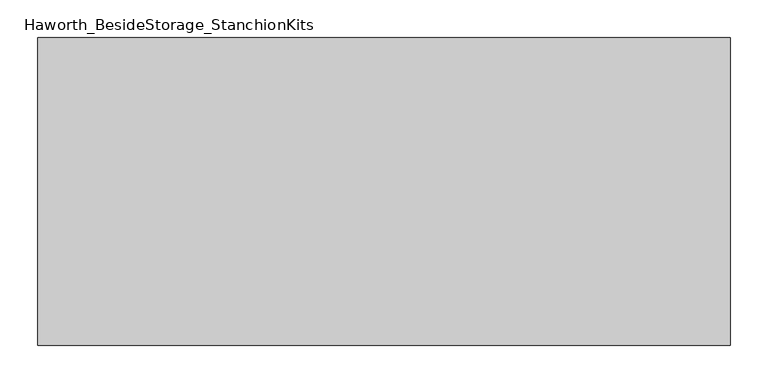
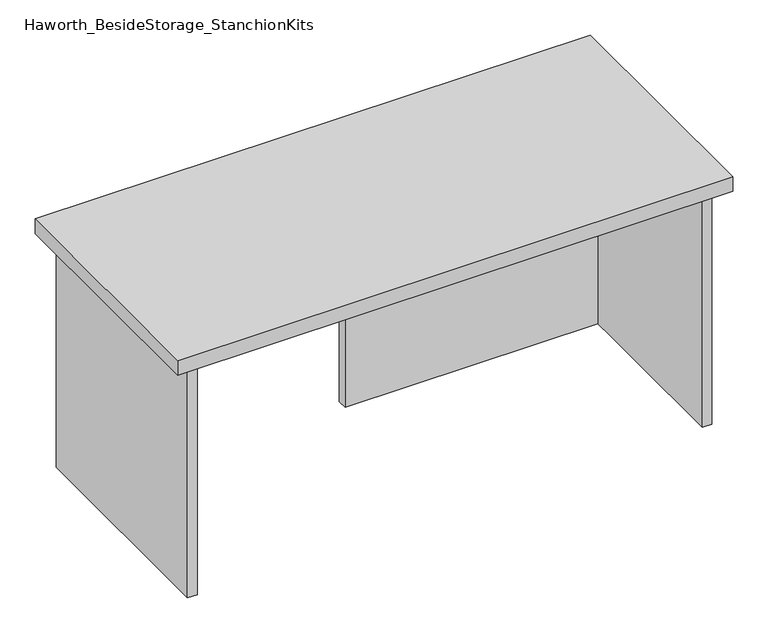
"""IFC4 building model written with IfcOpenShell, lengths in millimetres: furniture geometry, Haworth_BesideStorage_StanchionKits."""

from ifc_helpers import new_model, si_unit, frame, origin, place, context, project, spatial, polyline, outline, extrude, source, transform, mapped, element, save


def haworth_besidestorage_stanchionkits_f4ed1ca3(model_context):
    return source(origin(), model_context, "Body", "SweptSolid", [
        extrude(outline(polyline([(619.125, 0.0), (619.125, -406.4), (-295.275, -406.4), (-295.275, 0.0), (619.125, 0.0)])), frame((0.0, 0.0, 838.2), z_axis=(0.0, 0.0, 1.0), x_axis=(1.0, 0.0, 0.0)), (0.0, 0.0, 1.0), 25.4),
        extrude(outline(polyline([(161.925, -76.2), (577.85, -76.2), (577.85, -92.075), (161.925, -92.075), (161.925, -76.2)])), frame((0.0, 0.0, 431.8), z_axis=(0.0, 0.0, 1.0), x_axis=(1.0, 0.0, 0.0)), (0.0, 0.0, 1.0), 406.4),
        extrude(outline(polyline([(593.725, -390.525), (577.85, -390.525), (577.85, -15.875), (593.725, -15.875), (593.725, -390.525)])), frame((0.0, 0.0, 431.8), z_axis=(0.0, 0.0, 1.0), x_axis=(1.0, 0.0, 0.0)), (0.0, 0.0, 1.0), 406.4),
        extrude(outline(polyline([(-254.0, -390.525), (-269.875, -390.525), (-269.875, -15.875), (-254.0, -15.875), (-254.0, -390.525)])), frame((0.0, 0.0, 431.8), z_axis=(0.0, 0.0, 1.0), x_axis=(1.0, 0.0, 0.0)), (0.0, 0.0, 1.0), 406.4),
    ])


if __name__ == "__main__":
    model = new_model("IFC4")
    model_context = context("Model", 3, world=origin())
    ifc_project = project(units=[si_unit("LENGTHUNIT", "METRE", prefix="MILLI")], contexts=[model_context])
    site = spatial("IfcSite", under=ifc_project)
    building = spatial("IfcBuilding", under=site)
    placement = place(None, origin())
    haworth_besidestorage_stanchionkits_shape = haworth_besidestorage_stanchionkits_f4ed1ca3(model_context)
    element("IfcFurniture", 1, ObjectType="Haworth_BesideStorage_StanchionKits", at=placement, inside=building, context=model_context, shape_type="MappedRepresentation", body=[
        mapped(haworth_besidestorage_stanchionkits_shape, transform((0.0, 0.0, 0.0), x_axis=(1.0, 0.0, 0.0), y_axis=(0.0, 1.0, 0.0), z_axis=(0.0, 0.0, 1.0))),
    ])
    save(model, "model.ifc")
